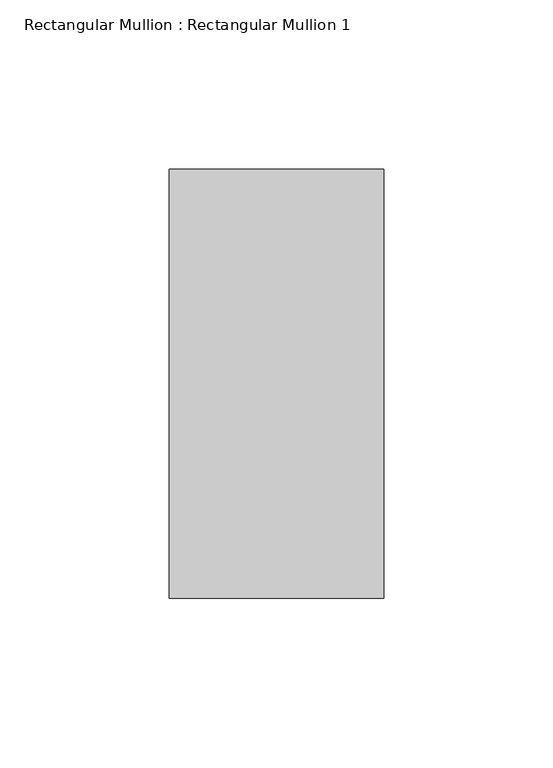
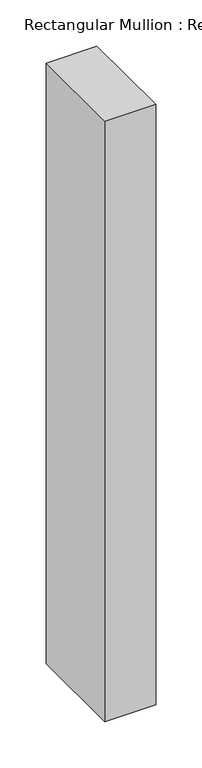
"""IFC4 building model written with IfcOpenShell, lengths in millimetres: member geometry, Rectangular Mullion : Rectangular Mullion 1."""

from ifc_helpers import new_model, si_unit, frame, origin, place, context, project, spatial, polyline, outline, extrude, source, transform, mapped, element, save


def rectangular_mullion_rectangular_mullion_1_13dc6413(model_context):
    return source(origin(), model_context, "Body", "SweptSolid", [
        extrude(outline(polyline([(0.0, 63.5), (0.0, -63.5), (-63.5, -63.5), (-63.5, 63.5), (0.0, 63.5)])), frame((0.0, 0.0, -793.75), z_axis=(0.0, 0.0, 1.0), x_axis=(1.0, 0.0, 0.0)), (0.0, 0.0, 1.0), 793.75),
    ])


if __name__ == "__main__":
    model = new_model("IFC4")
    model_context = context("Model", 3, world=origin())
    ifc_project = project(units=[si_unit("LENGTHUNIT", "METRE", prefix="MILLI")], contexts=[model_context])
    site = spatial("IfcSite", under=ifc_project)
    building = spatial("IfcBuilding", under=site)
    placement = place(None, origin())
    rectangular_mullion_rectangular_mullion_1_shape = rectangular_mullion_rectangular_mullion_1_13dc6413(model_context)
    element("IfcMember", 1, ObjectType="Rectangular Mullion : Rectangular Mullion 1", at=placement, inside=building, context=model_context, shape_type="MappedRepresentation", body=[
        mapped(rectangular_mullion_rectangular_mullion_1_shape, transform((0.0, 0.0, 0.0), x_axis=(1.0, 0.0, 0.0), y_axis=(0.0, 1.0, 0.0), z_axis=(0.0, 0.0, 1.0))),
    ])
    save(model, "model.ifc")
